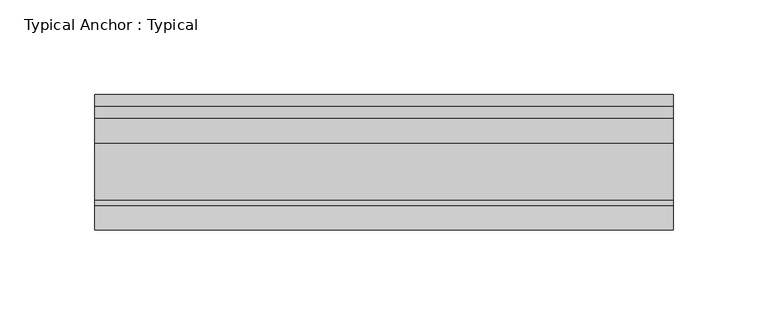
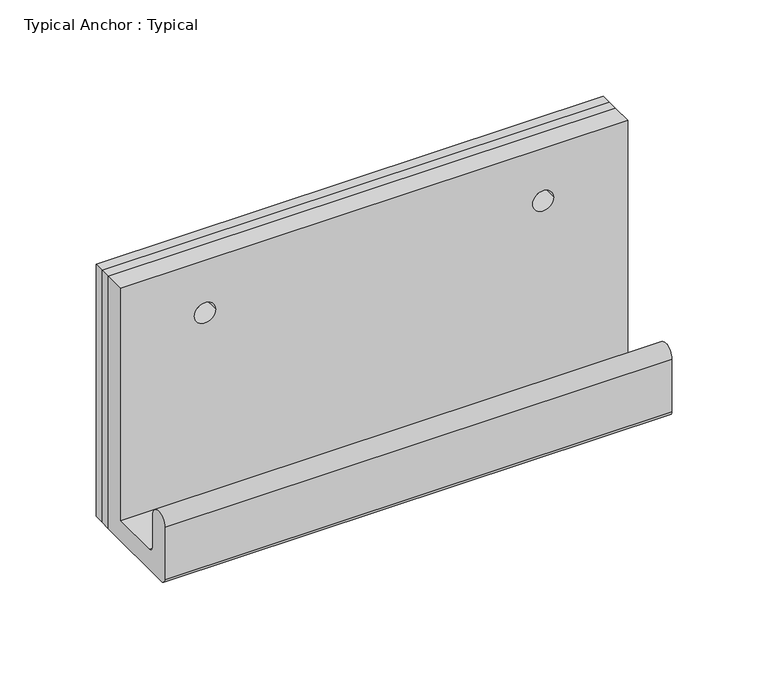
"""IFC4 building model written with IfcOpenShell, lengths in millimetres: fastener geometry, Typical Anchor : Typical."""

from ifc_helpers import new_model, si_unit, frame, origin, origin_with_axes, place, context, project, spatial, polyline, circle_curve, outline, extrude, source, transform, mapped, element, save
from ifc_brep_helpers import plane_surface, cylinder_surface, revolved_surface, advanced_brep


def typical_anchor_typical_651fcabc(model_context):
    return source(origin(), model_context, "Body", "SolidModel", [
        advanced_brep(
        [(-107.95, -12.7, 127.0), (-107.95, -25.4, 127.0), (-95.25, -25.4, 127.0), (-95.25, -12.7, 127.0), (152.4, -12.7, 160.3375), (152.4, -25.4, 160.3375), (152.4, -25.4, 12.7), (152.4, -55.5625, 12.7), (152.4, -58.7375, 15.875), (152.4, -58.7375, 36.5125), (152.4, -71.4375, 36.5125), (152.4, -71.4375, 3.175), (152.4, -68.2625, 0.0), (152.4, -12.7, 0.0), (-152.4, -12.7, 160.3375), (-152.4, -12.7, 0.0), (-152.4, -68.2625, 0.0), (-152.4, -71.4375, 3.175), (-152.4, -71.4375, 36.5125), (-152.4, -58.7375, 36.5125), (-152.4, -58.7375, 15.875), (-152.4, -55.5625, 12.7), (-152.4, -25.4, 12.7), (-152.4, -25.4, 160.3375), (95.25, -12.7, 127.0), (95.25, -25.4, 127.0), (107.95, -25.4, 127.0), (107.95, -12.7, 127.0)],
        [
            (0, 1),
            (1, 2, circle_curve(frame((-101.6, -25.4, 127.0), z_axis=(0.0, -1.0, 0.0), x_axis=(1.0, 0.0, 0.0)), 6.35)),
            (2, 3),
            (3, 0, circle_curve(frame((-101.6, -12.7, 127.0), z_axis=(0.0, 1.0, 0.0), x_axis=(1.0, 0.0, 0.0)), 6.35)),
            (0, 3, circle_curve(frame((-101.6, -12.7, 127.0), z_axis=(0.0, 1.0, 0.0), x_axis=(1.0, 0.0, 0.0)), 6.35)),
            (2, 1, circle_curve(frame((-101.6, -25.4, 127.0), z_axis=(0.0, -1.0, 0.0), x_axis=(1.0, 0.0, 0.0)), 6.35)),
            (4, 5),
            (5, 6),
            (6, 7),
            (7, 8, circle_curve(frame((152.4, -55.5625, 15.875), z_axis=(-1.0, 0.0, 0.0), x_axis=(0.0, -1.0, 0.0)), 3.175)),
            (8, 9),
            (9, 10, circle_curve(frame((152.4, -65.0875, 36.5125), z_axis=(1.0, 0.0, 0.0), x_axis=(0.0, -1.0, 0.0)), 6.35)),
            (10, 11),
            (11, 12, circle_curve(frame((152.4, -68.2625, 3.175), z_axis=(1.0, 0.0, 0.0), x_axis=(0.0, -1.0, 0.0)), 3.175)),
            (12, 13),
            (13, 4),
            (14, 15),
            (15, 16),
            (16, 17, circle_curve(frame((-152.4, -68.2625, 3.175), z_axis=(-1.0, 0.0, 0.0), x_axis=(0.0, -1.0, 0.0)), 3.175)),
            (17, 18),
            (18, 19, circle_curve(frame((-152.4, -65.0875, 36.5125), z_axis=(-1.0, 0.0, 0.0), x_axis=(0.0, -1.0, 0.0)), 6.35)),
            (19, 20),
            (20, 21, circle_curve(frame((-152.4, -55.5625, 15.875), z_axis=(1.0, 0.0, 0.0), x_axis=(0.0, -1.0, 0.0)), 3.175)),
            (21, 22),
            (22, 23),
            (23, 14),
            (4, 14),
            (23, 5),
            (24, 25),
            (25, 26, circle_curve(frame((101.6, -25.4, 127.0), z_axis=(0.0, -1.0, 0.0), x_axis=(-1.0, 0.0, 0.0)), 6.35)),
            (26, 27),
            (27, 24, circle_curve(frame((101.6, -12.7, 127.0), z_axis=(0.0, 1.0, 0.0), x_axis=(-1.0, 0.0, 0.0)), 6.35)),
            (24, 27, circle_curve(frame((101.6, -12.7, 127.0), z_axis=(0.0, 1.0, 0.0), x_axis=(-1.0, 0.0, 0.0)), 6.35)),
            (26, 25, circle_curve(frame((101.6, -25.4, 127.0), z_axis=(0.0, -1.0, 0.0), x_axis=(-1.0, 0.0, 0.0)), 6.35)),
            (22, 6),
            (21, 7),
            (20, 8),
            (19, 9),
            (18, 10),
            (17, 11),
            (16, 12),
            (15, 13),
        ],
        [
            revolved_surface(polyline([(-95.25, -25.400000000000006, 127.0), (-95.25, -12.699999999999989, 127.0)]), (-101.6, 176.9675317, 127.0), (0.0, -1.0, 0.0)),
            plane_surface(frame((152.4, -25.4, 160.3375), z_axis=(1.0, 0.0, 0.0), x_axis=(0.0, -1.0, 0.0))),
            plane_surface(frame((-152.4, -25.4, 160.3375), z_axis=(-1.0, 0.0, 0.0), x_axis=(0.0, 1.0, 0.0))),
            plane_surface(frame((152.4, -12.7, 160.3375), z_axis=(0.0, 0.0, 1.0), x_axis=(-1.0, 0.0, 0.0))),
            revolved_surface(polyline([(95.25, -25.400000000000006, 127.0), (95.25, -12.699999999999989, 127.0)]), (101.6, 176.9675317, 127.0), (0.0, -1.0, 0.0)),
            plane_surface(frame((152.4, -25.4, 160.3375), z_axis=(0.0, -1.0, 0.0), x_axis=(-1.0, 0.0, 0.0))),
            plane_surface(frame((152.4, -25.4, 12.7), z_axis=(0.0, 0.0, 1.0), x_axis=(-1.0, 0.0, 0.0))),
            revolved_surface(polyline([(-152.4, -58.7375, 15.875), (152.4, -58.7375, 15.875)]), (-152.4, -55.5625, 15.875), (-1.0, 0.0, 0.0)),
            plane_surface(frame((152.4, -58.7375, 15.875), z_axis=(0.0, 1.0, 0.0), x_axis=(-1.0, 0.0, 0.0))),
            cylinder_surface(frame((-152.4, -65.0875, 36.5125), z_axis=(1.0, 0.0, 0.0), x_axis=(0.0, -1.0, 0.0)), 6.35),
            plane_surface(frame((152.4, -71.4375, 36.5125), z_axis=(0.0, -1.0, 0.0), x_axis=(-1.0, 0.0, 0.0))),
            cylinder_surface(frame((-152.4, -68.2625, 3.175), z_axis=(1.0, 0.0, 0.0), x_axis=(0.0, -1.0, 0.0)), 3.175),
            plane_surface(frame((152.4, -68.2625, 0.0), z_axis=(0.0, 0.0, -1.0), x_axis=(-1.0, 0.0, 0.0))),
            plane_surface(frame((152.4, -12.7, 0.0), z_axis=(0.0, 1.0, 0.0), x_axis=(-1.0, 0.0, 0.0))),
        ],
        [
            (0, [[1, 2, 3, 4]]),
            (0, [[-1, 5, -3, 6]]),
            (1, [[7, 8, 9, 10, 11, 12, 13, 14, 15, 16]]),
            (2, [[17, 18, 19, 20, 21, 22, 23, 24, 25, 26]]),
            (3, [[-7, 27, -26, 28]]),
            (4, [[29, 30, 31, 32]]),
            (4, [[-29, 33, -31, 34]]),
            (5, [[-8, -28, -25, 35], [-2, -6], [-30, -34]]),
            (6, [[-9, -35, -24, 36]]),
            (7, [[-10, -36, -23, 37]]),
            (8, [[-11, -37, -22, 38]]),
            (9, [[-12, -38, -21, 39]]),
            (10, [[-13, -39, -20, 40]]),
            (11, [[-14, -40, -19, 41]]),
            (12, [[-15, -41, -18, 42]]),
            (13, [[-16, -42, -17, -27], [-4, -5], [-32, -33]]),
        ],
    ),
        extrude(outline(polyline([(152.4, -6.35), (152.4, -12.7), (-152.4, -12.7), (-152.4, -6.35), (152.4, -6.35)])), origin_with_axes(), (0.0, 0.0, 1.0), 160.3375),
        extrude(outline(polyline([(152.4, 0.0), (152.4, -6.35), (-152.4, -6.35), (-152.4, 0.0), (152.4, 0.0)])), origin_with_axes(), (0.0, 0.0, 1.0), 160.3375),
    ])


if __name__ == "__main__":
    model = new_model("IFC4")
    model_context = context("Model", 3, world=origin())
    ifc_project = project(units=[si_unit("LENGTHUNIT", "METRE", prefix="MILLI")], contexts=[model_context])
    site = spatial("IfcSite", under=ifc_project)
    building = spatial("IfcBuilding", under=site)
    placement = place(None, origin())
    typical_anchor_typical_shape = typical_anchor_typical_651fcabc(model_context)
    element("IfcFastener", 1, ObjectType="Typical Anchor : Typical", at=placement, inside=building, context=model_context, shape_type="MappedRepresentation", body=[
        mapped(typical_anchor_typical_shape, transform((0.0, 0.0, 0.0), x_axis=(1.0, 0.0, 0.0), y_axis=(0.0, 1.0, 0.0), z_axis=(0.0, 0.0, 1.0))),
    ])
    save(model, "model.ifc")
